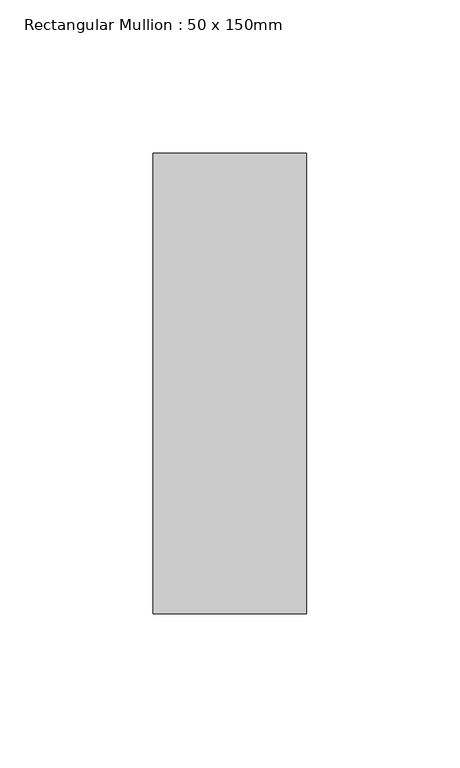
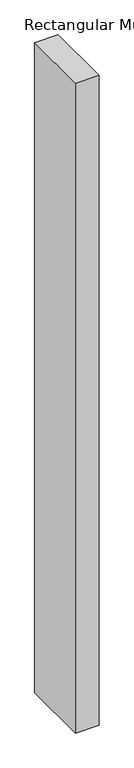
"""IFC4 building model written with IfcOpenShell, lengths in millimetres: member geometry, Rectangular Mullion : 50 x 150mm."""

from ifc_helpers import new_model, si_unit, frame, origin, place, context, project, spatial, polyline, outline, extrude, source, transform, mapped, element, save


def rectangular_mullion_50_x_150mm_ad2c4a1a(model_context):
    return source(origin(), model_context, "Body", "SweptSolid", [
        extrude(outline(polyline([(25.0, 75.0), (25.0, -75.0), (-25.0, -75.0), (-25.0, 75.0), (25.0, 75.0)])), frame((0.0, 0.0, -1461.6666667), z_axis=(0.0, 0.0, 1.0), x_axis=(1.0, 0.0, 0.0)), (0.0, 0.0, 1.0), 1461.6666667),
    ])


if __name__ == "__main__":
    model = new_model("IFC4")
    model_context = context("Model", 3, world=origin())
    ifc_project = project(units=[si_unit("LENGTHUNIT", "METRE", prefix="MILLI")], contexts=[model_context])
    site = spatial("IfcSite", under=ifc_project)
    building = spatial("IfcBuilding", under=site)
    placement = place(None, origin())
    rectangular_mullion_50_x_150mm_shape = rectangular_mullion_50_x_150mm_ad2c4a1a(model_context)
    element("IfcMember", 1, ObjectType="Rectangular Mullion : 50 x 150mm", at=placement, inside=building, context=model_context, shape_type="MappedRepresentation", body=[
        mapped(rectangular_mullion_50_x_150mm_shape, transform((0.0, 0.0, 0.0), x_axis=(1.0, 0.0, 0.0), y_axis=(0.0, 1.0, 0.0), z_axis=(0.0, 0.0, 1.0))),
    ])
    save(model, "model.ifc")
